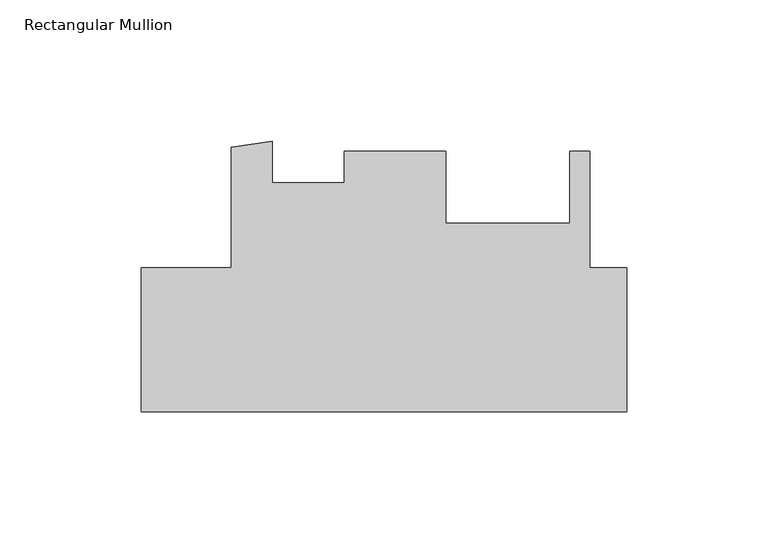
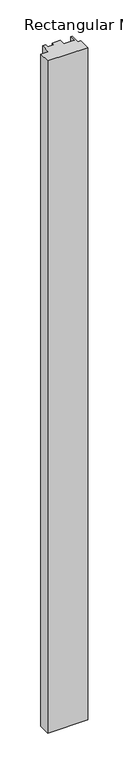
"""IFC4 building model written with IfcOpenShell, lengths in millimetres: member geometry, Rectangular Mullion."""

from ifc_helpers import new_model, si_unit, frame, origin, place, context, project, spatial, polyline, outline, extrude, source, transform, mapped, element, save


def rectangular_mullion_98214f25(model_context):
    return source(origin(), model_context, "Body", "SweptSolid", [
        extrude(outline(polyline([(-171.4499999, -0.032266), (-139.7010309, -0.032266), (-139.7010309, 42.5831163), (-125.1888659, 44.6399586), (-125.1888659, 30.1302341), (-99.7994237, 30.1302341), (-99.7994237, 41.2427341), (-63.9132421, 41.2427341), (-63.9132421, 15.7411341), (-20.0035309, 15.7411341), (-20.0035309, 41.2427341), (-12.9550309, 41.2427341), (-12.9550309, 0.0), (0.0, 0.0), (0.0, -50.8322656), (-171.4499999, -50.8322656), (-171.4499999, -0.032266)])), frame((0.0, 0.0, -3048.0), z_axis=(0.0, 0.0, 1.0), x_axis=(1.0, 0.0, 0.0)), (0.0, 0.0, 1.0), 3048.0),
    ])


if __name__ == "__main__":
    model = new_model("IFC4")
    model_context = context("Model", 3, world=origin())
    ifc_project = project(units=[si_unit("LENGTHUNIT", "METRE", prefix="MILLI")], contexts=[model_context])
    site = spatial("IfcSite", under=ifc_project)
    building = spatial("IfcBuilding", under=site)
    placement = place(None, origin())
    rectangular_mullion_shape = rectangular_mullion_98214f25(model_context)
    element("IfcMember", 1, ObjectType="Rectangular Mullion", at=placement, inside=building, context=model_context, shape_type="MappedRepresentation", body=[
        mapped(rectangular_mullion_shape, transform((0.0, 0.0, 0.0), x_axis=(1.0, 0.0, 0.0), y_axis=(0.0, 1.0, 0.0), z_axis=(0.0, 0.0, 1.0))),
    ])
    save(model, "model.ifc")
